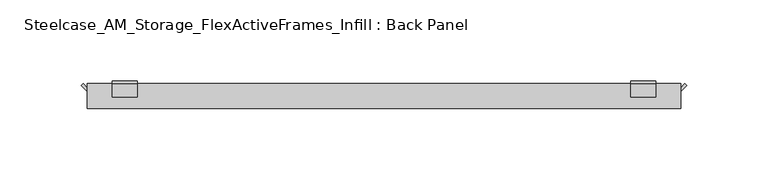
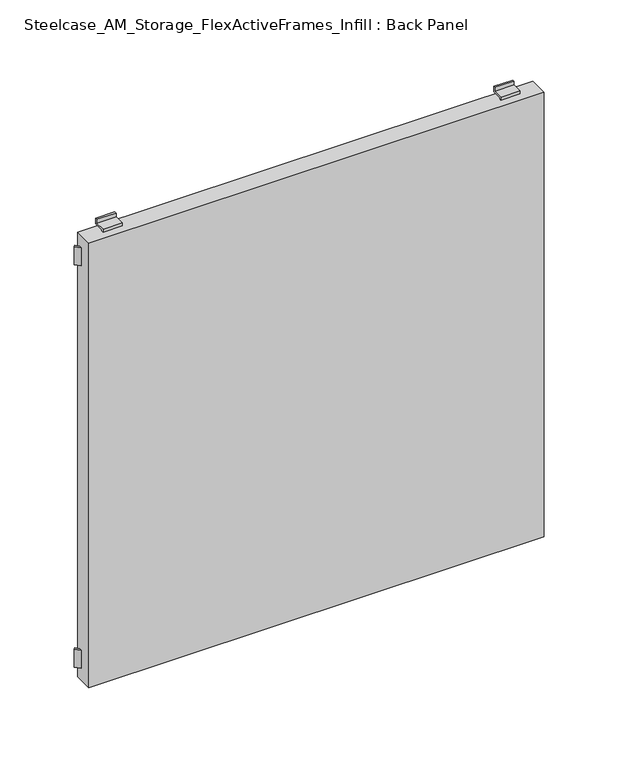
"""IFC4 building model written with IfcOpenShell, lengths in millimetres: furniture geometry, Steelcase_AM_Storage_FlexActiveFrames_Infill : Back Panel."""

import ifcopenshell
import ifcopenshell.guid

model = None  # the IFC model being written
_history = None  # IfcOwnerHistory: only IFC2X3 demands one
_inside = {}  # id of a spatial element -> (the spatial element, [elements in it])
_under = {}  # id of a project, library or spatial element -> (it, [spatial elements below it])
_declared = {}  # id of a project -> (the project, [libraries it declares])
_typed = {}  # id of a type object -> (the type object, [elements of that type])
_made_of = {}  # id of a material, layer set ... -> (it, [elements and type objects made of it])


def new_model(schema):
    """Start an empty IFC model of exactly this schema.

    Asked for "IFC4X3", IfcOpenShell would pick the latest addendum, in which some entities
    have other attributes; the version numbers below select the first issue.
    IFC2X3 requires an IfcOwnerHistory on every rooted entity: one is made here for all.
    """
    global model, _history
    if schema == "IFC4X3":
        model = ifcopenshell.file(schema_version=(4, 3, 0, 0))
    else:
        model = ifcopenshell.file(schema=schema)
    _inside.clear()
    _under.clear()
    _declared.clear()
    _typed.clear()
    _made_of.clear()
    _history = None
    if model.schema == "IFC2X3":
        org = make("IfcOrganization", Name="unknown")
        user = make(
            "IfcPersonAndOrganization",
            ThePerson=make("IfcPerson", FamilyName="unknown"),
            TheOrganization=org,
        )
        app = make(
            "IfcApplication",
            ApplicationDeveloper=org,
            Version="unknown",
            ApplicationFullName="unknown",
            ApplicationIdentifier="unknown",
        )
        _history = make(
            "IfcOwnerHistory",
            OwningUser=user,
            OwningApplication=app,
            ChangeAction="ADDED",
            CreationDate=0,
        )
    return model


def make(cls, **values):
    """One entity of the class cls with the attributes given. An attribute that is None is left unset."""
    return model.create_entity(
        cls, **{name: value for name, value in values.items() if value is not None}
    )


def rooted(cls, **values):
    """An entity with a GlobalId (a new one), such as an element, a storey or a relation."""
    return make(cls, GlobalId=ifcopenshell.guid.new(), OwnerHistory=_history, **values)


def si_unit(unit_type, name, prefix=None):
    """IfcSIUnit, for example si_unit("LENGTHUNIT", "METRE", prefix="MILLI")."""
    return make("IfcSIUnit", UnitType=unit_type, Prefix=prefix, Name=name)


def assignment(units):
    """IfcUnitAssignment: the units of a project."""
    return None if units is None else make("IfcUnitAssignment", Units=units)


def point(xyz):
    """IfcCartesianPoint."""
    return None if xyz is None else make("IfcCartesianPoint", Coordinates=xyz)


def direction(xyz):
    """IfcDirection."""
    return None if xyz is None else make("IfcDirection", DirectionRatios=xyz)


def frame(location, z_axis=None, x_axis=None):
    """IfcAxis2Placement3D, a coordinate frame: its origin and axes. An axis left out is left unset."""
    return make(
        "IfcAxis2Placement3D",
        Location=point(location),
        Axis=direction(z_axis),
        RefDirection=direction(x_axis),
    )


def origin():
    """The frame at (0, 0, 0) with its axes left unset."""
    return frame((0.0, 0.0, 0.0))


def place(relative_to, where):
    """IfcLocalPlacement: puts the frame where relative to a parent placement (None: the world)."""
    return make(
        "IfcLocalPlacement", PlacementRelTo=relative_to, RelativePlacement=where
    )


def context(
    kind, dimensions, precision=None, world=None, true_north=None, identifier=None
):
    """IfcGeometricRepresentationContext, for example the 3D "Model" context."""
    return make(
        "IfcGeometricRepresentationContext",
        ContextIdentifier=identifier,
        ContextType=kind,
        CoordinateSpaceDimension=dimensions,
        Precision=precision,
        WorldCoordinateSystem=world,
        TrueNorth=true_north,
    )


def project(units=None, contexts=None):
    """IfcProject with its units and contexts."""
    return rooted(
        "IfcProject",
        Name="project",
        RepresentationContexts=contexts,
        UnitsInContext=assignment(units),
    )


def spatial(cls, under=None, at=None, **own):
    """A site, building, storey or space (cls), placed at a placement, below another one or the project."""
    s = rooted(cls, ObjectPlacement=at, **own)
    if under is not None:
        _under.setdefault(under.id(), (under, []))[1].append(s)
    return s


def polyline(points):
    """IfcPolyline through the points."""
    return make("IfcPolyline", Points=[point(p) for p in points])


def outline(outer, holes=None, kind="AREA"):
    """IfcArbitraryClosedProfileDef: a profile drawn as a closed curve; with holes, ...WithVoids."""
    if holes is None:
        return make("IfcArbitraryClosedProfileDef", ProfileType=kind, OuterCurve=outer)
    return make(
        "IfcArbitraryProfileDefWithVoids",
        ProfileType=kind,
        OuterCurve=outer,
        InnerCurves=holes,
    )


def extrude(swept, where, along, depth):
    """IfcExtrudedAreaSolid: the profile swept, set in the frame where, extruded along a direction by depth."""
    return make(
        "IfcExtrudedAreaSolid",
        SweptArea=swept,
        Position=where,
        ExtrudedDirection=direction(along),
        Depth=depth,
    )


def shape(context_of_items, identifier, shape_type, items):
    """IfcShapeRepresentation: the items that make up one representation, for example the "Body"."""
    return make(
        "IfcShapeRepresentation",
        ContextOfItems=context_of_items,
        RepresentationIdentifier=identifier,
        RepresentationType=shape_type,
        Items=items,
    )


def source(mapping_origin, context_of_items, identifier, shape_type, items):
    """IfcRepresentationMap: a shape defined once, which mapped items show again and again."""
    return make(
        "IfcRepresentationMap",
        MappingOrigin=mapping_origin,
        MappedRepresentation=shape(context_of_items, identifier, shape_type, items),
    )


def transform(
    local_origin,
    x_axis=None,
    y_axis=None,
    z_axis=None,
    scale=None,
    scale2=None,
    scale3=None,
    uniform=True,
):
    """IfcCartesianTransformationOperator3D, or its non-uniform kind. x_axis, y_axis, z_axis: its Axis1, 2, 3."""
    if uniform:
        return make(
            "IfcCartesianTransformationOperator3D",
            Axis1=direction(x_axis),
            Axis2=direction(y_axis),
            LocalOrigin=point(local_origin),
            Scale=scale,
            Axis3=direction(z_axis),
        )
    return make(
        "IfcCartesianTransformationOperator3DnonUniform",
        Axis1=direction(x_axis),
        Axis2=direction(y_axis),
        LocalOrigin=point(local_origin),
        Scale=scale,
        Axis3=direction(z_axis),
        Scale2=scale2,
        Scale3=scale3,
    )


def mapped(mapping_source, mapping_target):
    """IfcMappedItem: shows the shape of a source again, moved by a transform."""
    return make(
        "IfcMappedItem", MappingSource=mapping_source, MappingTarget=mapping_target
    )


def made_of(thing, what):
    """Note that an element or type object is made of a material, layer set ...; save() writes the relation."""
    if what is not None:
        _made_of.setdefault(what.id(), (what, []))[1].append(thing)
    return thing


def element(
    cls,
    number,
    at=None,
    inside=None,
    cuts=None,
    type_object=None,
    material=None,
    context=None,
    identifier="Body",
    shape_type=None,
    held_by="IfcProductDefinitionShape",
    body=None,
    shapes=None,
    **own,
):
    """One element of the class cls, such as IfcWall. Its Tag is "e" and its number.

    at: its placement. inside: the storey or other place that contains it. cuts: it is an
    opening in that element (IfcRelVoidsElement). A single representation is given by context,
    identifier, shape_type and body (its items); several are given by shapes. held_by: the class
    of the entity that holds the representations. save() writes the other relations.
    """
    e = rooted(cls, Tag="e%d" % number, ObjectPlacement=at, **own)
    if body is not None:
        shapes = [shape(context, identifier, shape_type, body)]
    if shapes is not None:
        e.Representation = make(held_by, Representations=shapes)
    if inside is not None:
        _inside.setdefault(inside.id(), (inside, []))[1].append(e)
    if cuts is not None:
        rooted(
            "IfcRelVoidsElement", RelatingBuildingElement=cuts, RelatedOpeningElement=e
        )
    if type_object is not None:
        _typed.setdefault(type_object.id(), (type_object, []))[1].append(e)
    return made_of(e, material)


def aggregate(whole, parts):
    """IfcRelAggregates: a whole, such as a stair, and the parts it consists of."""
    return rooted("IfcRelAggregates", RelatingObject=whole, RelatedObjects=parts)


def save(model, path):
    """Write the relations noted so far, then the file.

    IfcRelAggregates (storeys below a building ...), IfcRelContainedInSpatialStructure (elements
    in a storey), IfcRelDefinesByType, IfcRelAssociatesMaterial and IfcRelDeclares: one each for
    every whole, place, type object, material and project.
    """
    for whole, parts in _under.values():
        aggregate(whole, parts)
    for where, things in _inside.values():
        rooted(
            "IfcRelContainedInSpatialStructure",
            RelatedElements=things,
            RelatingStructure=where,
        )
    for kind, things in _typed.values():
        rooted("IfcRelDefinesByType", RelatedObjects=things, RelatingType=kind)
    for what, things in _made_of.values():
        rooted("IfcRelAssociatesMaterial", RelatedObjects=things, RelatingMaterial=what)
    for by, libraries in _declared.values():
        rooted("IfcRelDeclares", RelatingContext=by, RelatedDefinitions=libraries)
    model.write(path)


def steelcase_am_storage_flexactiveframes_infill_back_panel_20604d97(model_context):
    return source(origin(), model_context, "Body", "SweptSolid", [
        extrude(outline(polyline([(17.78, -5.2076414), (17.78, -7.3629029), (14.0473833, -3.6302862), (15.125014, -2.5526555), (17.78, -5.2076414)])), frame((0.0, 0.0, 472.0336), z_axis=(0.0, 0.0, 1.0), x_axis=(1.0, 0.0, 0.0)), (0.0, 0.0, 1.0), 15.24),
        extrude(outline(polyline([(382.27, -5.2076414), (384.924986, -2.5526555), (386.0026167, -3.6302862), (382.27, -7.3629029), (382.27, -5.2076414)])), frame((0.0, 0.0, 472.0336), z_axis=(0.0, 0.0, 1.0), x_axis=(1.0, 0.0, 0.0)), (0.0, 0.0, 1.0), 15.24),
        extrude(outline(polyline([(17.78, -5.2076414), (17.78, -7.3629029), (14.0473833, -3.6302862), (15.125014, -2.5526555), (17.78, -5.2076414)])), frame((0.0, 0.0, 131.6736), z_axis=(0.0, 0.0, 1.0), x_axis=(1.0, 0.0, 0.0)), (0.0, 0.0, 1.0), 15.24),
        extrude(outline(polyline([(382.27, -5.2076414), (384.924986, -2.5526555), (386.0026167, -3.6302862), (382.27, -7.3629029), (382.27, -5.2076414)])), frame((0.0, 0.0, 131.6736), z_axis=(0.0, 0.0, 1.0), x_axis=(1.0, 0.0, 0.0)), (0.0, 0.0, 1.0), 15.24),
        extrude(outline(polyline([(-2.54, 503.0770636), (-1.016, 503.0770636), (-1.016, 498.4496), (-9.398, 498.4496), (-9.398, 497.4336), (-10.922, 497.4336), (-10.922, 499.9736), (-2.54, 499.9736), (-2.54, 503.0770636)])), frame((351.79, 0.0, 0.0), z_axis=(1.0, 0.0, 0.0), x_axis=(0.0, 1.0, 0.0)), (0.0, 0.0, 1.0), 15.24),
        extrude(outline(polyline([(-2.54, 115.8701364), (-2.54, 118.9736), (-10.922, 118.9736), (-10.922, 121.5136), (-9.398, 121.5136), (-9.398, 120.4976), (-1.016, 120.4976), (-1.016, 115.8701364), (-2.54, 115.8701364)])), frame((351.79, 0.0, 0.0), z_axis=(1.0, 0.0, 0.0), x_axis=(0.0, 1.0, 0.0)), (0.0, 0.0, 1.0), 15.24),
        extrude(outline(polyline([(-2.54, 503.0770636), (-1.016, 503.0770636), (-1.016, 498.4496), (-9.398, 498.4496), (-9.398, 497.4336), (-10.922, 497.4336), (-10.922, 499.9736), (-2.54, 499.9736), (-2.54, 503.0770636)])), frame((33.02, 0.0, 0.0), z_axis=(1.0, 0.0, 0.0), x_axis=(0.0, 1.0, 0.0)), (0.0, 0.0, 1.0), 15.24),
        extrude(outline(polyline([(-2.54, 115.8701364), (-2.54, 118.9736), (-10.922, 118.9736), (-10.922, 121.5136), (-9.398, 121.5136), (-9.398, 120.4976), (-1.016, 120.4976), (-1.016, 115.8701364), (-2.54, 115.8701364)])), frame((33.02, 0.0, 0.0), z_axis=(1.0, 0.0, 0.0), x_axis=(0.0, 1.0, 0.0)), (0.0, 0.0, 1.0), 15.24),
        extrude(outline(polyline([(382.27, -17.78), (17.78, -17.78), (17.78, -2.54), (382.27, -2.54), (382.27, -17.78)])), frame((0.0, 0.0, 121.5136), z_axis=(0.0, 0.0, 1.0), x_axis=(1.0, 0.0, 0.0)), (0.0, 0.0, 1.0), 375.92),
    ])


if __name__ == "__main__":
    model = new_model("IFC4")
    model_context = context("Model", 3, world=origin())
    ifc_project = project(units=[si_unit("LENGTHUNIT", "METRE", prefix="MILLI")], contexts=[model_context])
    site = spatial("IfcSite", under=ifc_project)
    building = spatial("IfcBuilding", under=site)
    placement = place(None, origin())
    steelcase_am_storage_flexactiveframes_infill_back_panel_shape = steelcase_am_storage_flexactiveframes_infill_back_panel_20604d97(model_context)
    element("IfcFurniture", 1, ObjectType="Steelcase_AM_Storage_FlexActiveFrames_Infill : Back Panel", at=placement, inside=building, context=model_context, shape_type="MappedRepresentation", body=[
        mapped(steelcase_am_storage_flexactiveframes_infill_back_panel_shape, transform((0.0, 0.0, 0.0), x_axis=(1.0, 0.0, 0.0), y_axis=(0.0, 1.0, 0.0), z_axis=(0.0, 0.0, 1.0))),
    ])
    save(model, "model.ifc")
